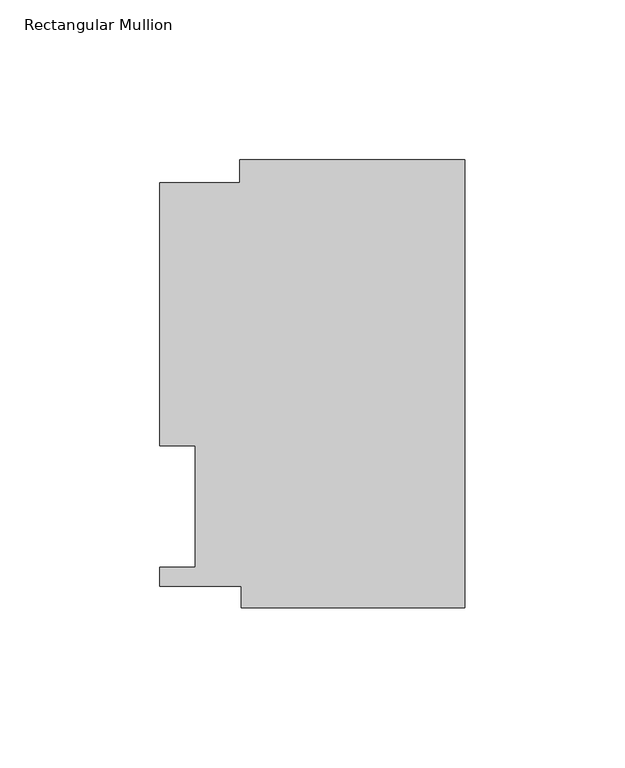
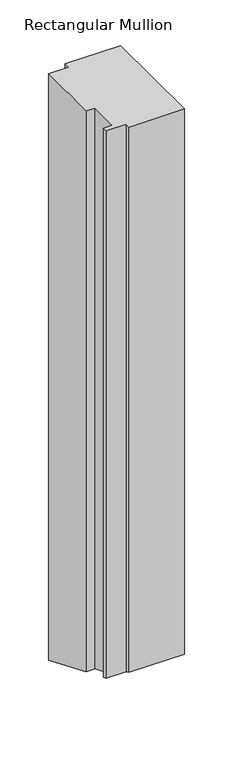
"""IFC4 building model written with IfcOpenShell, lengths in millimetres: member geometry, Rectangular Mullion."""

from ifc_helpers import new_model, si_unit, origin, place, context, project, spatial, faceted_brep, source, transform, mapped, element, save


def rectangular_mullion_0996517a(model_context):
    return source(origin(), model_context, "Body", "Brep", [
        faceted_brep([(-70.3072, 133.731, 0.0), (-70.3072, 126.619, 0.0), (-95.25, 126.619, 0.0), (-95.25, 44.45, 0.0), (-84.1375, 44.45, 0.0), (-84.1375, 6.35, 0.0), (-95.25, 6.35, 0.0), (-95.25, 0.4064, 0.0), (-69.85, 0.4064, 0.0), (-69.85, -6.2260979, 0.0), (0.0, -6.2260979, 0.0), (0.0, 133.731, 0.0), (-70.3072, 133.731, -787.9899338), (-70.3072, 126.619, -785.0440469), (-95.25, 126.619, -785.0440469), (-95.25, 44.45, -751.0085327), (-84.1375, 44.45, -751.0085327), (-84.1375, 6.35, -735.226996), (-95.25, 6.35, -735.226996), (-95.25, 0.4064, -732.7650763), (-69.85, 0.4064, -732.7650763), (-69.85, -6.2260979, -730.0178057), (0.0, -6.2260979, -730.0178057), (0.0, 133.731, -787.9899338)], [[[0, 1, 2, 3, 4, 5, 6, 7, 8, 9, 10, 11]], [[1, 0, 12, 13]], [[2, 1, 13, 14]], [[3, 2, 14, 15]], [[4, 3, 15, 16]], [[5, 4, 16, 17]], [[6, 5, 17, 18]], [[7, 6, 18, 19]], [[8, 7, 19, 20]], [[9, 8, 20, 21]], [[10, 9, 21, 22]], [[11, 10, 22, 23]], [[0, 11, 23, 12]], [[12, 23, 22, 21, 20, 19, 18, 17, 16, 15, 14, 13]]]),
    ])


if __name__ == "__main__":
    model = new_model("IFC4")
    model_context = context("Model", 3, world=origin())
    ifc_project = project(units=[si_unit("LENGTHUNIT", "METRE", prefix="MILLI")], contexts=[model_context])
    site = spatial("IfcSite", under=ifc_project)
    building = spatial("IfcBuilding", under=site)
    placement = place(None, origin())
    rectangular_mullion_shape = rectangular_mullion_0996517a(model_context)
    element("IfcMember", 1, ObjectType="Rectangular Mullion", at=placement, inside=building, context=model_context, shape_type="MappedRepresentation", body=[
        mapped(rectangular_mullion_shape, transform((0.0, 0.0, 0.0), x_axis=(1.0, 0.0, 0.0), y_axis=(0.0, 1.0, 0.0), z_axis=(0.0, 0.0, 1.0))),
    ])
    save(model, "model.ifc")
